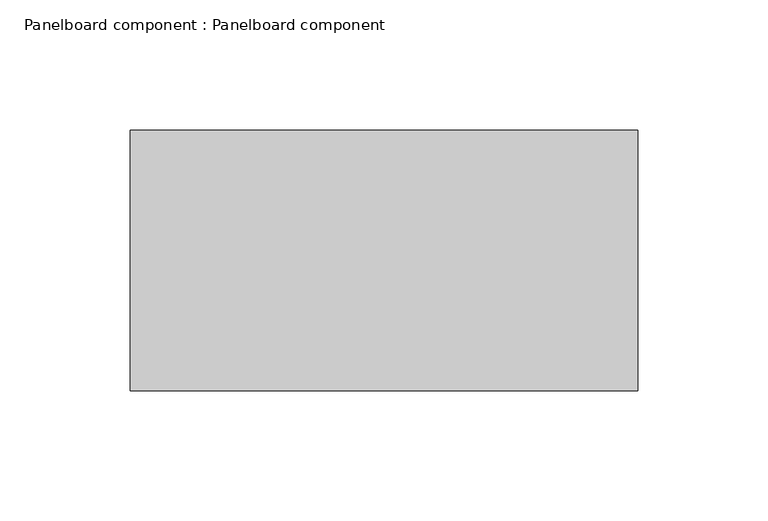
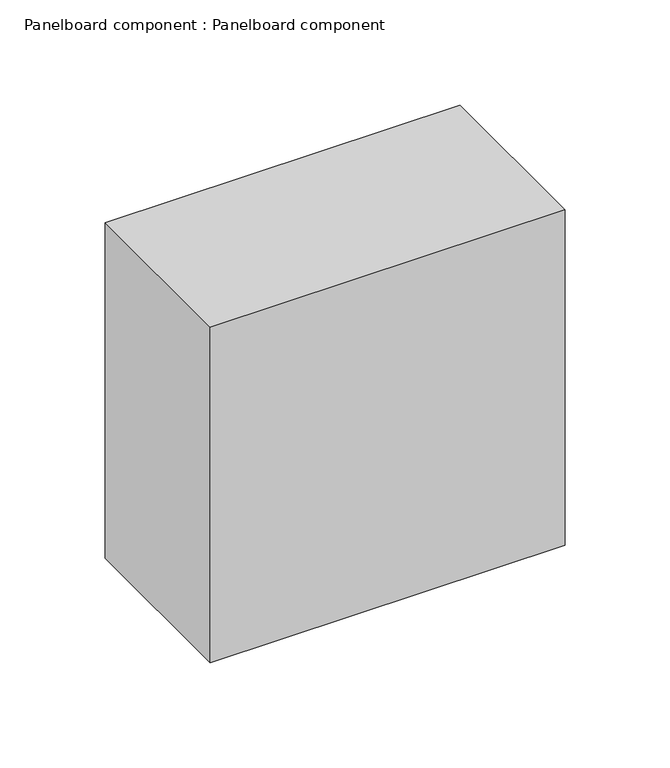
"""IFC4 building model written with IfcOpenShell, lengths in millimetres: proxy geometry, Panelboard component : Panelboard component."""

from ifc_helpers import new_model, si_unit, origin, origin_with_axes, place, context, project, spatial, polyline, outline, extrude, source, transform, mapped, element, save


def panelboard_component_panelboard_component_6901063e(model_context):
    return source(origin(), model_context, "Body", "SweptSolid", [
        extrude(outline(polyline([(97.5, -100.0), (-97.5, -100.0), (-97.5, 0.0), (97.5, 0.0), (97.5, -100.0)])), origin_with_axes(), (0.0, 0.0, 1.0), 195.0),
    ])


if __name__ == "__main__":
    model = new_model("IFC4")
    model_context = context("Model", 3, world=origin())
    ifc_project = project(units=[si_unit("LENGTHUNIT", "METRE", prefix="MILLI")], contexts=[model_context])
    site = spatial("IfcSite", under=ifc_project)
    building = spatial("IfcBuilding", under=site)
    placement = place(None, origin())
    panelboard_component_panelboard_component_shape = panelboard_component_panelboard_component_6901063e(model_context)
    element("IfcBuildingElementProxy", 1, Name="Panelboard component : Panelboard component", ObjectType="Panelboard component : Panelboard component", at=placement, inside=building, context=model_context, shape_type="MappedRepresentation", body=[
        mapped(panelboard_component_panelboard_component_shape, transform((0.0, 0.0, 0.0), x_axis=(1.0, 0.0, 0.0), y_axis=(0.0, 1.0, 0.0), z_axis=(0.0, 0.0, 1.0))),
    ])
    save(model, "model.ifc")
